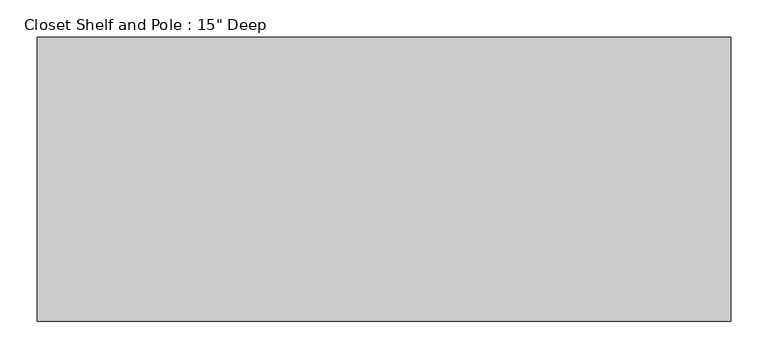
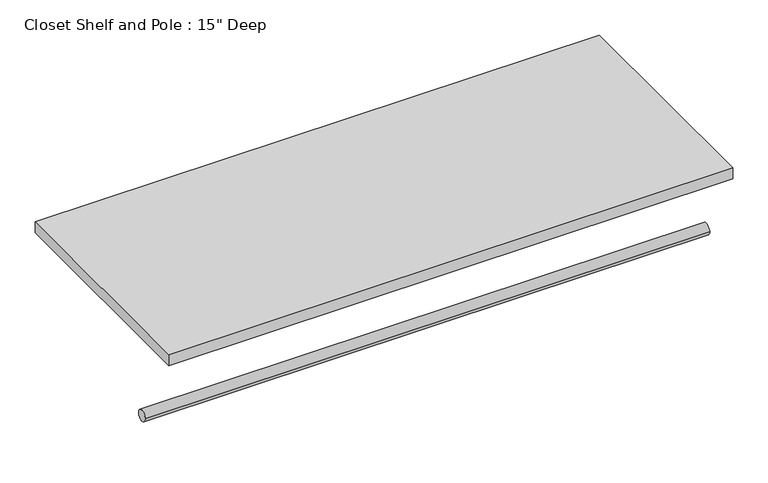
"""IFC4 building model written with IfcOpenShell, lengths in millimetres: proxy geometry."""

from ifc_helpers import new_model, si_unit, point, frame, frame_2d, origin, place, context, project, spatial, polyline, circle_curve, trimmed, segment, composite_curve, outline, extrude, source, transform, mapped, element, save


def proxy_560a350e(model_context):
    return source(origin(), model_context, "Body", "SweptSolid", [
        extrude(outline(composite_curve([segment(trimmed(circle_curve(frame_2d((-304.8, 1676.4)), 9.525), [point((-314.325, 1676.4))], [point((-295.275, 1676.4))], False, "CARTESIAN"), True, "CONTINUOUS"), segment(trimmed(circle_curve(frame_2d((-304.8, 1676.4)), 9.525), [point((-295.275, 1676.4))], [point((-314.325, 1676.4))], False, "CARTESIAN"), True, "CONTINUOUS")], self_intersect=False)), frame((0.0, 0.0, 0.0), z_axis=(1.0, 0.0, 0.0), x_axis=(0.0, 1.0, 0.0)), (0.0, 0.0, 1.0), 929.9742986),
        extrude(outline(polyline([(929.9742986, 0.0), (929.9742986, -381.0), (0.0, -381.0), (0.0, 0.0), (929.9742986, 0.0)])), frame((0.0, 0.0, 1809.75), z_axis=(0.0, 0.0, 1.0), x_axis=(1.0, 0.0, 0.0)), (0.0, 0.0, 1.0), 19.05),
    ])


if __name__ == "__main__":
    model = new_model("IFC4")
    model_context = context("Model", 3, world=origin())
    ifc_project = project(units=[si_unit("LENGTHUNIT", "METRE", prefix="MILLI")], contexts=[model_context])
    site = spatial("IfcSite", under=ifc_project)
    building = spatial("IfcBuilding", under=site)
    placement = place(None, origin())
    proxy_shape = proxy_560a350e(model_context)
    element("IfcBuildingElementProxy", 1, Name="Closet Shelf and Pole : 15\" Deep", ObjectType="Closet Shelf and Pole : 15\" Deep", at=placement, inside=building, context=model_context, shape_type="MappedRepresentation", body=[
        mapped(proxy_shape, transform((0.0, 0.0, 0.0), x_axis=(1.0, 0.0, 0.0), y_axis=(0.0, 1.0, 0.0), z_axis=(0.0, 0.0, 1.0))),
    ])
    save(model, "model.ifc")
